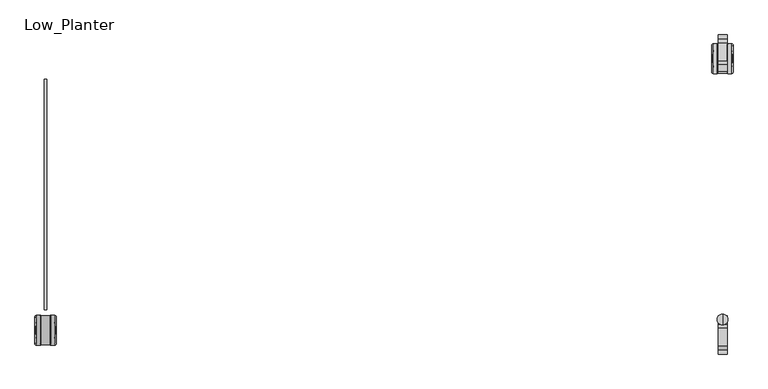
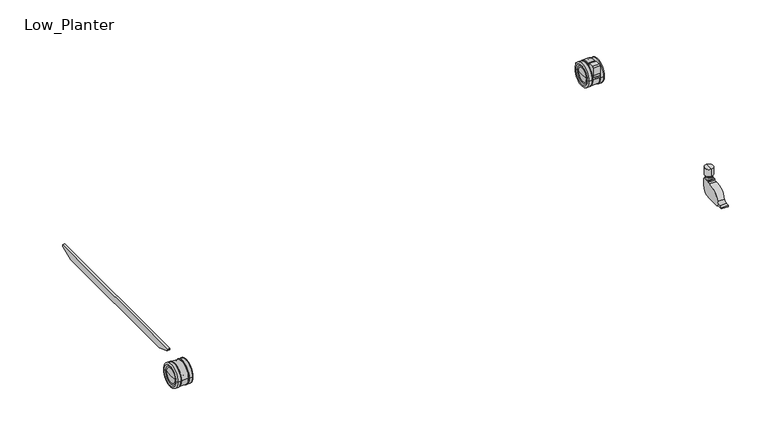
"""IFC4 building model written with IfcOpenShell, lengths in millimetres: furniture geometry, Low_Planter."""

from ifc_helpers import new_model, si_unit, point, frame, frame_2d, origin, place, context, project, spatial, polyline, circle_curve, ellipse_curve, trimmed, segment, composite_curve, outline, extrude, source, transform, mapped, element, save
from ifc_brep_helpers import plane_surface, cylinder_surface, revolved_surface, advanced_brep


def low_planter_3816b88e(model_context):
    return source(origin(), model_context, "Body", "SolidModel", [
        advanced_brep(
        [(-756.254365, -294.9881573, 33.3375), (-755.184493, -275.3179942, 33.3375), (-755.184493, -314.6583204, 33.3375), (-755.8633212, -271.1591617, 33.3375), (-755.8633212, -318.8171529, 33.3375), (-757.7696196, -267.1028081, 33.3375), (-757.7696196, -322.8735065, 33.3375), (-754.7850467, -262.6663128, 33.3375), (-754.7850467, -327.3100018, 33.3375), (-746.259685, -262.6663128, 33.3375), (-746.259685, -327.3100018, 33.3375), (-744.9615248, -263.9644731, 33.3375), (-744.9615248, -326.0118415, 33.3375), (-744.9615248, -284.8362603, 33.3375), (-744.9615248, -305.1400543, 33.3375), (-744.0, -284.8362603, 33.3375), (-744.0, -305.1400543, 33.3375), (-744.0, -263.8362603, 33.3375), (-744.0, -326.1400543, 33.3375), (-726.0, -263.8362603, 33.3375), (-726.0, -326.1400543, 33.3375), (-726.0, -284.8362603, 33.3375), (-726.0, -305.1400543, 33.3375), (-724.9867609, -284.8362603, 33.3375), (-724.9867609, -305.1400543, 33.3375), (-724.9867609, -263.9644731, 33.3375), (-724.9867609, -326.0118415, 33.3375), (-723.6886006, -262.6663128, 33.3375), (-723.6886006, -327.3100018, 33.3375), (-715.163239, -262.6663128, 33.3375), (-715.163239, -327.3100018, 33.3375), (-712.178666, -267.1028081, 33.3375), (-712.178666, -322.8735065, 33.3375), (-714.0849645, -271.1591617, 33.3375), (-714.0849645, -318.8171529, 33.3375), (-714.7637927, -275.3179942, 33.3375), (-714.7637927, -314.6583204, 33.3375), (-713.6939206, -294.9881573, 33.3375)],
        [
            (0, 1, circle_curve(frame((-670.0444421, -289.81299, 33.3375), z_axis=(0.0, 0.0, -1.0), x_axis=(1.0, 0.0, 0.0)), 86.3651154)),
            (1, 2, circle_curve(frame((-755.184493, -294.9881573, 33.3375), z_axis=(-1.0, 0.0, 0.0), x_axis=(0.0, 1.0, 0.0)), 19.6701631)),
            (2, 0, circle_curve(frame((-670.0444421, -300.1633246, 33.3375), z_axis=(0.0, 0.0, -1.0), x_axis=(1.0, 0.0, 0.0)), 86.3651154)),
            (2, 1, circle_curve(frame((-755.184493, -294.9881573, 33.3375), z_axis=(-1.0, 0.0, 0.0), x_axis=(0.0, 1.0, 0.0)), 19.6701631)),
            (1, 3, circle_curve(frame((-761.5862333, -274.2281053, 33.3375), z_axis=(0.0, 0.0, 1.0), x_axis=(1.0, 0.0, 0.0)), 6.4938538)),
            (3, 4, circle_curve(frame((-755.8633212, -294.9881573, 33.3375), z_axis=(-1.0, 0.0, 0.0), x_axis=(0.0, 1.0, 0.0)), 23.8289956)),
            (4, 2, circle_curve(frame((-761.5862333, -315.7482093, 33.3375), z_axis=(0.0, 0.0, 1.0), x_axis=(1.0, 0.0, 0.0)), 6.4938538)),
            (4, 3, circle_curve(frame((-755.8633212, -294.9881573, 33.3375), z_axis=(-1.0, 0.0, 0.0), x_axis=(0.0, 1.0, 0.0)), 23.8289956)),
            (3, 5, circle_curve(frame((-718.5172692, -251.1321331, 33.3375), z_axis=(0.0, 0.0, -1.0), x_axis=(1.0, 0.0, 0.0)), 42.3769923)),
            (5, 6, circle_curve(frame((-757.7696196, -294.9881573, 33.3375), z_axis=(-1.0, 0.0, 0.0), x_axis=(0.0, 1.0, 0.0)), 27.8853492)),
            (6, 4, circle_curve(frame((-718.5172692, -338.8441815, 33.3375), z_axis=(0.0, 0.0, -1.0), x_axis=(1.0, 0.0, 0.0)), 42.3769923)),
            (6, 5, circle_curve(frame((-757.7696196, -294.9881573, 33.3375), z_axis=(-1.0, 0.0, 0.0), x_axis=(0.0, 1.0, 0.0)), 27.8853492)),
            (5, 7, circle_curve(frame((-754.7850467, -265.8884695, 33.3375), z_axis=(0.0, 0.0, -1.0), x_axis=(1.0, 0.0, 0.0)), 3.2221567)),
            (7, 8, circle_curve(frame((-754.7850467, -294.9881573, 33.3375), z_axis=(-1.0, 0.0, 0.0), x_axis=(0.0, 1.0, 0.0)), 32.3218445)),
            (8, 6, circle_curve(frame((-754.7850467, -324.0878451, 33.3375), z_axis=(0.0, 0.0, -1.0), x_axis=(1.0, 0.0, 0.0)), 3.2221567)),
            (8, 7, circle_curve(frame((-754.7850467, -294.9881573, 33.3375), z_axis=(-1.0, 0.0, 0.0), x_axis=(0.0, 1.0, 0.0)), 32.3218445)),
            (7, 9),
            (9, 10, circle_curve(frame((-746.259685, -294.9881573, 33.3375), z_axis=(-1.0, 0.0, 0.0), x_axis=(0.0, 1.0, 0.0)), 32.3218445)),
            (10, 8),
            (10, 9, circle_curve(frame((-746.259685, -294.9881573, 33.3375), z_axis=(-1.0, 0.0, 0.0), x_axis=(0.0, 1.0, 0.0)), 32.3218445)),
            (9, 11, circle_curve(frame((-746.259685, -263.9644731, 33.3375), z_axis=(0.0, 0.0, -1.0), x_axis=(1.0, 0.0, 0.0)), 1.2981602)),
            (11, 12, circle_curve(frame((-744.9615248, -294.9881573, 33.3375), z_axis=(-1.0, 0.0, 0.0), x_axis=(0.0, 1.0, 0.0)), 31.0236842)),
            (12, 10, circle_curve(frame((-746.259685, -326.0118415, 33.3375), z_axis=(0.0, 0.0, -1.0), x_axis=(1.0, 0.0, 0.0)), 1.2981602)),
            (12, 11, circle_curve(frame((-744.9615248, -294.9881573, 33.3375), z_axis=(-1.0, 0.0, 0.0), x_axis=(0.0, 1.0, 0.0)), 31.0236842)),
            (11, 13),
            (13, 14, circle_curve(frame((-744.9615248, -294.9881573, 33.3375), z_axis=(-1.0, 0.0, 0.0), x_axis=(0.0, 1.0, 0.0)), 10.151897)),
            (14, 12),
            (14, 13, circle_curve(frame((-744.9615248, -294.9881573, 33.3375), z_axis=(-1.0, 0.0, 0.0), x_axis=(0.0, 1.0, 0.0)), 10.151897)),
            (13, 15),
            (15, 16, circle_curve(frame((-744.0, -294.9881573, 33.3375), z_axis=(-1.0, 0.0, 0.0), x_axis=(0.0, 1.0, 0.0)), 10.151897)),
            (16, 14),
            (16, 15, circle_curve(frame((-744.0, -294.9881573, 33.3375), z_axis=(-1.0, 0.0, 0.0), x_axis=(0.0, 1.0, 0.0)), 10.151897)),
            (15, 17),
            (17, 18, circle_curve(frame((-744.0, -294.9881573, 33.3375), z_axis=(-1.0, 0.0, 0.0), x_axis=(0.0, 1.0, 0.0)), 31.151897)),
            (18, 16),
            (18, 17, circle_curve(frame((-744.0, -294.9881573, 33.3375), z_axis=(-1.0, 0.0, 0.0), x_axis=(0.0, 1.0, 0.0)), 31.151897)),
            (17, 19),
            (19, 20, circle_curve(frame((-726.0, -294.9881573, 33.3375), z_axis=(-1.0, 0.0, 0.0), x_axis=(0.0, 1.0, 0.0)), 31.151897)),
            (20, 18),
            (20, 19, circle_curve(frame((-726.0, -294.9881573, 33.3375), z_axis=(-1.0, 0.0, 0.0), x_axis=(0.0, 1.0, 0.0)), 31.151897)),
            (19, 21),
            (21, 22, circle_curve(frame((-726.0, -294.9881573, 33.3375), z_axis=(-1.0, 0.0, 0.0), x_axis=(0.0, 1.0, 0.0)), 10.151897)),
            (22, 20),
            (22, 21, circle_curve(frame((-726.0, -294.9881573, 33.3375), z_axis=(-1.0, 0.0, 0.0), x_axis=(0.0, 1.0, 0.0)), 10.151897)),
            (21, 23),
            (23, 24, circle_curve(frame((-724.9867609, -294.9881573, 33.3375), z_axis=(-1.0, 0.0, 0.0), x_axis=(0.0, 1.0, 0.0)), 10.151897)),
            (24, 22),
            (24, 23, circle_curve(frame((-724.9867609, -294.9881573, 33.3375), z_axis=(-1.0, 0.0, 0.0), x_axis=(0.0, 1.0, 0.0)), 10.151897)),
            (23, 25),
            (25, 26, circle_curve(frame((-724.9867609, -294.9881573, 33.3375), z_axis=(-1.0, 0.0, 0.0), x_axis=(0.0, 1.0, 0.0)), 31.0236842)),
            (26, 24),
            (26, 25, circle_curve(frame((-724.9867609, -294.9881573, 33.3375), z_axis=(-1.0, 0.0, 0.0), x_axis=(0.0, 1.0, 0.0)), 31.0236842)),
            (25, 27, circle_curve(frame((-723.6886006, -263.9644731, 33.3375), z_axis=(0.0, 0.0, -1.0), x_axis=(-1.0, 0.0, 0.0)), 1.2981602)),
            (27, 28, circle_curve(frame((-723.6886006, -294.9881573, 33.3375), z_axis=(-1.0, 0.0, 0.0), x_axis=(0.0, 1.0, 0.0)), 32.3218445)),
            (28, 26, circle_curve(frame((-723.6886006, -326.0118415, 33.3375), z_axis=(0.0, 0.0, -1.0), x_axis=(-1.0, 0.0, 0.0)), 1.2981602)),
            (28, 27, circle_curve(frame((-723.6886006, -294.9881573, 33.3375), z_axis=(-1.0, 0.0, 0.0), x_axis=(0.0, 1.0, 0.0)), 32.3218445)),
            (27, 29),
            (29, 30, circle_curve(frame((-715.163239, -294.9881573, 33.3375), z_axis=(-1.0, 0.0, 0.0), x_axis=(0.0, 1.0, 0.0)), 32.3218445)),
            (30, 28),
            (30, 29, circle_curve(frame((-715.163239, -294.9881573, 33.3375), z_axis=(-1.0, 0.0, 0.0), x_axis=(0.0, 1.0, 0.0)), 32.3218445)),
            (29, 31, circle_curve(frame((-715.163239, -265.8884695, 33.3375), z_axis=(0.0, 0.0, -1.0), x_axis=(-1.0, 0.0, 0.0)), 3.2221567)),
            (31, 32, circle_curve(frame((-712.178666, -294.9881573, 33.3375), z_axis=(-1.0, 0.0, 0.0), x_axis=(0.0, 1.0, 0.0)), 27.8853492)),
            (32, 30, circle_curve(frame((-715.163239, -324.0878451, 33.3375), z_axis=(0.0, 0.0, -1.0), x_axis=(-1.0, 0.0, 0.0)), 3.2221567)),
            (32, 31, circle_curve(frame((-712.178666, -294.9881573, 33.3375), z_axis=(-1.0, 0.0, 0.0), x_axis=(0.0, 1.0, 0.0)), 27.8853492)),
            (31, 33, circle_curve(frame((-751.4310165, -251.1321331, 33.3375), z_axis=(0.0, 0.0, -1.0), x_axis=(-1.0, 0.0, 0.0)), 42.3769923)),
            (33, 34, circle_curve(frame((-714.0849645, -294.9881573, 33.3375), z_axis=(-1.0, 0.0, 0.0), x_axis=(0.0, 1.0, 0.0)), 23.8289956)),
            (34, 32, circle_curve(frame((-751.4310165, -338.8441815, 33.3375), z_axis=(0.0, 0.0, -1.0), x_axis=(-1.0, 0.0, 0.0)), 42.3769923)),
            (34, 33, circle_curve(frame((-714.0849645, -294.9881573, 33.3375), z_axis=(-1.0, 0.0, 0.0), x_axis=(0.0, 1.0, 0.0)), 23.8289956)),
            (33, 35, circle_curve(frame((-708.3620524, -274.2281053, 33.3375), z_axis=(0.0, 0.0, 1.0), x_axis=(-1.0, 0.0, 0.0)), 6.4938538)),
            (35, 36, circle_curve(frame((-714.7637927, -294.9881573, 33.3375), z_axis=(-1.0, 0.0, 0.0), x_axis=(0.0, 1.0, 0.0)), 19.6701631)),
            (36, 34, circle_curve(frame((-708.3620524, -315.7482093, 33.3375), z_axis=(0.0, 0.0, 1.0), x_axis=(-1.0, 0.0, 0.0)), 6.4938538)),
            (36, 35, circle_curve(frame((-714.7637927, -294.9881573, 33.3375), z_axis=(-1.0, 0.0, 0.0), x_axis=(0.0, 1.0, 0.0)), 19.6701631)),
            (35, 37, circle_curve(frame((-799.9038436, -289.81299, 33.3375), z_axis=(0.0, 0.0, -1.0), x_axis=(-1.0, 0.0, 0.0)), 86.3651154)),
            (37, 36, circle_curve(frame((-799.9038436, -300.1633246, 33.3375), z_axis=(0.0, 0.0, -1.0), x_axis=(-1.0, 0.0, 0.0)), 86.3651154)),
        ],
        [
            revolved_surface(trimmed(ellipse_curve(frame((-670.0444421, -289.81299, 33.3375), z_axis=(0.0, 0.0, 1.0), x_axis=(1.0, 0.0, 0.0)), 86.3651154, 86.3651154), [point((-755.184493, -275.3179942, 33.3375))], [point((-756.254365, -294.9881573, 33.3375))], True, "CARTESIAN"), (-735.8288688, -294.9881573, 33.3375), (-1.0, 0.0, 0.0)),
            revolved_surface(trimmed(ellipse_curve(frame((-761.5862333, -274.2281053, 33.3375), z_axis=(0.0, 0.0, -1.0), x_axis=(1.0, 0.0, 0.0)), 6.4938538, 6.4938538), [point((-755.8633212, -271.1591617, 33.3375))], [point((-755.184493, -275.3179942, 33.3375))], True, "CARTESIAN"), (-735.8288688, -294.9881573, 33.3375), (-1.0, 0.0, 0.0)),
            revolved_surface(trimmed(ellipse_curve(frame((-718.5172692, -251.1321331, 33.3375), z_axis=(0.0, 0.0, 1.0), x_axis=(1.0, 0.0, 0.0)), 42.3769923, 42.3769923), [point((-757.7696196, -267.1028081, 33.3375))], [point((-755.8633212, -271.1591617, 33.3375))], True, "CARTESIAN"), (-735.8288688, -294.9881573, 33.3375), (-1.0, 0.0, 0.0)),
            revolved_surface(trimmed(ellipse_curve(frame((-754.7850467, -265.8884695, 33.3375), z_axis=(0.0, 0.0, 1.0), x_axis=(1.0, 0.0, 0.0)), 3.2221567, 3.2221567), [point((-754.7850467, -262.6663128, 33.3375))], [point((-757.7696196, -267.1028081, 33.3375))], True, "CARTESIAN"), (-735.8288688, -294.9881573, 33.3375), (-1.0, 0.0, 0.0)),
            cylinder_surface(frame((-735.8288688, -294.9881573, 33.3375), z_axis=(-1.0, 0.0, 0.0), x_axis=(0.0, 1.0, 0.0)), 32.3218445),
            revolved_surface(trimmed(ellipse_curve(frame((-746.259685, -263.9644731, 33.3375), z_axis=(0.0, 0.0, 1.0), x_axis=(1.0, 0.0, 0.0)), 1.2981602, 1.2981602), [point((-744.9615248, -263.9644731, 33.3375))], [point((-746.259685, -262.6663128, 33.3375))], True, "CARTESIAN"), (-735.8288688, -294.9881573, 33.3375), (-1.0, 0.0, 0.0)),
            plane_surface(frame((-744.9615248, -294.9881573, 33.3375), z_axis=(1.0, 0.0, 0.0), x_axis=(0.0, 1.0, 0.0))),
            cylinder_surface(frame((-735.8288688, -294.9881573, 33.3375), z_axis=(-1.0, 0.0, 0.0), x_axis=(0.0, 1.0, 0.0)), 10.151897),
            plane_surface(frame((-744.0, -294.9881573, 33.3375), z_axis=(-1.0, 0.0, 0.0), x_axis=(0.0, 1.0, 0.0))),
            cylinder_surface(frame((-735.8288688, -294.9881573, 33.3375), z_axis=(-1.0, 0.0, 0.0), x_axis=(0.0, 1.0, 0.0)), 31.151897),
            plane_surface(frame((-726.0, -294.9881573, 33.3375), z_axis=(1.0, 0.0, 0.0), x_axis=(0.0, 1.0, 0.0))),
            plane_surface(frame((-724.9867609, -294.9881573, 33.3375), z_axis=(-1.0, 0.0, 0.0), x_axis=(0.0, 1.0, 0.0))),
            revolved_surface(trimmed(ellipse_curve(frame((-723.6886006, -263.9644731, 33.3375), z_axis=(0.0, 0.0, 1.0), x_axis=(-1.0, 0.0, 0.0)), 1.2981602, 1.2981602), [point((-723.6886006, -262.6663128, 33.3375))], [point((-724.9867609, -263.9644731, 33.3375))], True, "CARTESIAN"), (-735.8288688, -294.9881573, 33.3375), (-1.0, 0.0, 0.0)),
            revolved_surface(trimmed(ellipse_curve(frame((-715.163239, -265.8884695, 33.3375), z_axis=(0.0, 0.0, 1.0), x_axis=(-1.0, 0.0, 0.0)), 3.2221567, 3.2221567), [point((-712.178666, -267.1028081, 33.3375))], [point((-715.163239, -262.6663128, 33.3375))], True, "CARTESIAN"), (-735.8288688, -294.9881573, 33.3375), (-1.0, 0.0, 0.0)),
            revolved_surface(trimmed(ellipse_curve(frame((-751.4310165, -251.1321331, 33.3375), z_axis=(0.0, 0.0, 1.0), x_axis=(-1.0, 0.0, 0.0)), 42.3769923, 42.3769923), [point((-714.0849645, -271.1591617, 33.3375))], [point((-712.178666, -267.1028081, 33.3375))], True, "CARTESIAN"), (-735.8288688, -294.9881573, 33.3375), (-1.0, 0.0, 0.0)),
            revolved_surface(trimmed(ellipse_curve(frame((-708.3620524, -274.2281053, 33.3375), z_axis=(0.0, 0.0, -1.0), x_axis=(-1.0, 0.0, 0.0)), 6.4938538, 6.4938538), [point((-714.7637927, -275.3179942, 33.3375))], [point((-714.0849645, -271.1591617, 33.3375))], True, "CARTESIAN"), (-735.8288688, -294.9881573, 33.3375), (-1.0, 0.0, 0.0)),
            revolved_surface(trimmed(ellipse_curve(frame((-799.9038436, -289.81299, 33.3375), z_axis=(0.0, 0.0, 1.0), x_axis=(-1.0, 0.0, 0.0)), 86.3651154, 86.3651154), [point((-713.6939206, -294.9881573, 33.3375))], [point((-714.7637927, -275.3179942, 33.3375))], True, "CARTESIAN"), (-735.8288688, -294.9881573, 33.3375), (-1.0, 0.0, 0.0)),
        ],
        [
            (0, [[1, 2, 3]]),
            (0, [[-3, 4, -1]]),
            (1, [[-2, 5, 6, 7]]),
            (1, [[-4, -7, 8, -5]]),
            (2, [[-6, 9, 10, 11]]),
            (2, [[-8, -11, 12, -9]]),
            (3, [[-10, 13, 14, 15]]),
            (3, [[-12, -15, 16, -13]]),
            (4, [[-14, 17, 18, 19]]),
            (4, [[-16, -19, 20, -17]]),
            (5, [[-18, 21, 22, 23]]),
            (5, [[-20, -23, 24, -21]]),
            (6, [[-22, 25, 26, 27]]),
            (6, [[-24, -27, 28, -25]]),
            (7, [[-26, 29, 30, 31]]),
            (7, [[-28, -31, 32, -29]]),
            (8, [[-30, 33, 34, 35]]),
            (8, [[-32, -35, 36, -33]]),
            (9, [[-34, 37, 38, 39]]),
            (9, [[-36, -39, 40, -37]]),
            (10, [[-38, 41, 42, 43]]),
            (10, [[-40, -43, 44, -41]]),
            (7, [[-42, 45, 46, 47]]),
            (7, [[-44, -47, 48, -45]]),
            (11, [[-46, 49, 50, 51]]),
            (11, [[-48, -51, 52, -49]]),
            (12, [[-50, 53, 54, 55]]),
            (12, [[-52, -55, 56, -53]]),
            (4, [[-54, 57, 58, 59]]),
            (4, [[-56, -59, 60, -57]]),
            (13, [[-58, 61, 62, 63]]),
            (13, [[-60, -63, 64, -61]]),
            (14, [[-62, 65, 66, 67]]),
            (14, [[-64, -67, 68, -65]]),
            (15, [[-66, 69, 70, 71]]),
            (15, [[-68, -71, 72, -69]]),
            (16, [[-70, 73, 74]]),
            (16, [[-72, -74, -73]]),
        ],
    ),
        extrude(outline(composite_curve([segment(polyline([(-250.0, 76.4987302), (250.0, 76.4987302), (250.0, 74.9637326)]), True, "CONTINUOUS"), segment(trimmed(circle_curve(frame_2d((245.0, 74.9637326)), 5.0), [point((250.0, 74.9637326))], [point((246.7556172, 70.2820867))], False, "CARTESIAN"), True, "CONTINUOUS"), segment(polyline([(246.7556172, 70.2820867), (210.0, 56.4987302), (-210.1895526, 56.4987302), (-246.5320214, 70.127156)]), True, "CONTINUOUS"), segment(trimmed(circle_curve(frame_2d((-244.6554109, 75.1314508)), 5.3445891), [point((-246.5320214, 70.127156))], [point((-250.0, 75.1314508))], False, "CARTESIAN"), True, "CONTINUOUS"), segment(polyline([(-250.0, 75.1314508), (-250.0, 76.4987302)]), True, "CONTINUOUS")], self_intersect=False)), frame((-737.8752511, 0.0, 0.0), z_axis=(1.0, 0.0, 0.0), x_axis=(0.0, 1.0, 0.0)), (0.0, 0.0, 1.0), 6.1074091),
        extrude(outline(composite_curve([segment(polyline([(322.5393853, 24.6577664), (284.4393853, 24.6577664)]), True, "CONTINUOUS"), segment(trimmed(circle_curve(frame_2d((284.4393853, 45.6577664)), 21.0), [point((284.4393853, 24.6577664))], [point((263.4393853, 45.6577664))], False, "CARTESIAN"), True, "CONTINUOUS"), segment(polyline([(263.4393853, 45.6577664), (263.4393853, 67.2868958)]), True, "CONTINUOUS"), segment(trimmed(circle_curve(frame_2d((266.6512197, 67.2868958)), 3.2118344), [point((263.4393853, 67.2868958))], [point((266.6512197, 70.4987302))], False, "CARTESIAN"), True, "CONTINUOUS"), segment(polyline([(266.6512197, 70.4987302), (281.3809289, 70.4987302), (281.3809289, 66.7440458), (289.4225274, 66.7440458)]), True, "CONTINUOUS"), segment(trimmed(circle_curve(frame_2d((293.0492292, 30.6796344)), 36.2463066), [point((289.4225274, 66.7440458))], [point((328.1790956, 39.6064046))], False, "CARTESIAN"), True, "CONTINUOUS"), segment(trimmed(circle_curve(frame_2d((336.750164, 41.7843792)), 8.8434601), [point((328.1790956, 39.6064046))], [point((337.3229966, 32.9594911))], True, "CARTESIAN"), True, "CONTINUOUS"), segment(polyline([(337.3229966, 32.9594911), (346.4829961, 32.9594911), (346.4829961, 29.0481232), (328.3545572, 29.0481232)]), True, "CONTINUOUS"), segment(trimmed(circle_curve(frame_2d((322.5393853, 30.7041381)), 6.0463716), [point((328.3545572, 29.0481232))], [point((322.5393853, 24.6577664))], False, "CARTESIAN"), True, "CONTINUOUS")], self_intersect=False)), frame((726.0, 0.0, 0.0), z_axis=(1.0, 0.0, 0.0), x_axis=(0.0, 1.0, 0.0)), (0.0, 0.0, 1.0), 18.9615248),
        advanced_brep(
        [(756.254365, 294.9881573, 33.3375), (755.184493, 275.3179942, 33.3375), (755.184493, 314.6583204, 33.3375), (755.8633212, 271.1591617, 33.3375), (755.8633212, 318.8171529, 33.3375), (757.7696196, 267.1028081, 33.3375), (757.7696196, 322.8735065, 33.3375), (754.7850467, 262.6663128, 33.3375), (754.7850467, 327.3100018, 33.3375), (746.259685, 262.6663128, 33.3375), (746.259685, 327.3100018, 33.3375), (744.9615248, 263.9644731, 33.3375), (744.9615248, 326.0118415, 33.3375), (744.9615248, 284.8362603, 33.3375), (744.9615248, 305.1400543, 33.3375), (744.0, 284.8362603, 33.3375), (744.0, 305.1400543, 33.3375), (744.0, 263.8362603, 33.3375), (744.0, 326.1400543, 33.3375), (726.0, 263.8362603, 33.3375), (726.0, 326.1400543, 33.3375), (726.0, 284.8362603, 33.3375), (726.0, 305.1400543, 33.3375), (724.9867609, 284.8362603, 33.3375), (724.9867609, 305.1400543, 33.3375), (724.9867609, 263.9644731, 33.3375), (724.9867609, 326.0118415, 33.3375), (723.6886006, 262.6663128, 33.3375), (723.6886006, 327.3100018, 33.3375), (715.163239, 262.6663128, 33.3375), (715.163239, 327.3100018, 33.3375), (712.178666, 267.1028081, 33.3375), (712.178666, 322.8735065, 33.3375), (714.0849645, 271.1591617, 33.3375), (714.0849645, 318.8171529, 33.3375), (714.7637927, 275.3179942, 33.3375), (714.7637927, 314.6583204, 33.3375), (713.6939206, 294.9881573, 33.3375)],
        [
            (0, 1, circle_curve(frame((670.0444421, 289.81299, 33.3375), z_axis=(0.0, 0.0, -1.0), x_axis=(-1.0, 0.0, 0.0)), 86.3651154)),
            (1, 2, circle_curve(frame((755.184493, 294.9881573, 33.3375), z_axis=(1.0, 0.0, 0.0), x_axis=(0.0, -1.0, 0.0)), 19.6701631)),
            (2, 0, circle_curve(frame((670.0444421, 300.1633246, 33.3375), z_axis=(0.0, 0.0, -1.0), x_axis=(-1.0, 0.0, 0.0)), 86.3651154)),
            (2, 1, circle_curve(frame((755.184493, 294.9881573, 33.3375), z_axis=(1.0, 0.0, 0.0), x_axis=(0.0, -1.0, 0.0)), 19.6701631)),
            (1, 3, circle_curve(frame((761.5862333, 274.2281053, 33.3375), z_axis=(0.0, 0.0, 1.0), x_axis=(-1.0, 0.0, 0.0)), 6.4938538)),
            (3, 4, circle_curve(frame((755.8633212, 294.9881573, 33.3375), z_axis=(1.0, 0.0, 0.0), x_axis=(0.0, -1.0, 0.0)), 23.8289956)),
            (4, 2, circle_curve(frame((761.5862333, 315.7482093, 33.3375), z_axis=(0.0, 0.0, 1.0), x_axis=(-1.0, 0.0, 0.0)), 6.4938538)),
            (4, 3, circle_curve(frame((755.8633212, 294.9881573, 33.3375), z_axis=(1.0, 0.0, 0.0), x_axis=(0.0, -1.0, 0.0)), 23.8289956)),
            (3, 5, circle_curve(frame((718.5172692, 251.1321331, 33.3375), z_axis=(0.0, 0.0, -1.0), x_axis=(-1.0, 0.0, 0.0)), 42.3769923)),
            (5, 6, circle_curve(frame((757.7696196, 294.9881573, 33.3375), z_axis=(1.0, 0.0, 0.0), x_axis=(0.0, -1.0, 0.0)), 27.8853492)),
            (6, 4, circle_curve(frame((718.5172692, 338.8441815, 33.3375), z_axis=(0.0, 0.0, -1.0), x_axis=(-1.0, 0.0, 0.0)), 42.3769923)),
            (6, 5, circle_curve(frame((757.7696196, 294.9881573, 33.3375), z_axis=(1.0, 0.0, 0.0), x_axis=(0.0, -1.0, 0.0)), 27.8853492)),
            (5, 7, circle_curve(frame((754.7850467, 265.8884695, 33.3375), z_axis=(0.0, 0.0, -1.0), x_axis=(-1.0, 0.0, 0.0)), 3.2221567)),
            (7, 8, circle_curve(frame((754.7850467, 294.9881573, 33.3375), z_axis=(1.0, 0.0, 0.0), x_axis=(0.0, -1.0, 0.0)), 32.3218445)),
            (8, 6, circle_curve(frame((754.7850467, 324.0878451, 33.3375), z_axis=(0.0, 0.0, -1.0), x_axis=(-1.0, 0.0, 0.0)), 3.2221567)),
            (8, 7, circle_curve(frame((754.7850467, 294.9881573, 33.3375), z_axis=(1.0, 0.0, 0.0), x_axis=(0.0, -1.0, 0.0)), 32.3218445)),
            (7, 9),
            (9, 10, circle_curve(frame((746.259685, 294.9881573, 33.3375), z_axis=(1.0, 0.0, 0.0), x_axis=(0.0, -1.0, 0.0)), 32.3218445)),
            (10, 8),
            (10, 9, circle_curve(frame((746.259685, 294.9881573, 33.3375), z_axis=(1.0, 0.0, 0.0), x_axis=(0.0, -1.0, 0.0)), 32.3218445)),
            (9, 11, circle_curve(frame((746.259685, 263.9644731, 33.3375), z_axis=(0.0, 0.0, -1.0), x_axis=(-1.0, 0.0, 0.0)), 1.2981602)),
            (11, 12, circle_curve(frame((744.9615248, 294.9881573, 33.3375), z_axis=(1.0, 0.0, 0.0), x_axis=(0.0, -1.0, 0.0)), 31.0236842)),
            (12, 10, circle_curve(frame((746.259685, 326.0118415, 33.3375), z_axis=(0.0, 0.0, -1.0), x_axis=(-1.0, 0.0, 0.0)), 1.2981602)),
            (12, 11, circle_curve(frame((744.9615248, 294.9881573, 33.3375), z_axis=(1.0, 0.0, 0.0), x_axis=(0.0, -1.0, 0.0)), 31.0236842)),
            (11, 13),
            (13, 14, circle_curve(frame((744.9615248, 294.9881573, 33.3375), z_axis=(1.0, 0.0, 0.0), x_axis=(0.0, -1.0, 0.0)), 10.151897)),
            (14, 12),
            (14, 13, circle_curve(frame((744.9615248, 294.9881573, 33.3375), z_axis=(1.0, 0.0, 0.0), x_axis=(0.0, -1.0, 0.0)), 10.151897)),
            (13, 15),
            (15, 16, circle_curve(frame((744.0, 294.9881573, 33.3375), z_axis=(1.0, 0.0, 0.0), x_axis=(0.0, -1.0, 0.0)), 10.151897)),
            (16, 14),
            (16, 15, circle_curve(frame((744.0, 294.9881573, 33.3375), z_axis=(1.0, 0.0, 0.0), x_axis=(0.0, -1.0, 0.0)), 10.151897)),
            (15, 17),
            (17, 18, circle_curve(frame((744.0, 294.9881573, 33.3375), z_axis=(1.0, 0.0, 0.0), x_axis=(0.0, -1.0, 0.0)), 31.151897)),
            (18, 16),
            (18, 17, circle_curve(frame((744.0, 294.9881573, 33.3375), z_axis=(1.0, 0.0, 0.0), x_axis=(0.0, -1.0, 0.0)), 31.151897)),
            (17, 19),
            (19, 20, circle_curve(frame((726.0, 294.9881573, 33.3375), z_axis=(1.0, 0.0, 0.0), x_axis=(0.0, -1.0, 0.0)), 31.151897)),
            (20, 18),
            (20, 19, circle_curve(frame((726.0, 294.9881573, 33.3375), z_axis=(1.0, 0.0, 0.0), x_axis=(0.0, -1.0, 0.0)), 31.151897)),
            (19, 21),
            (21, 22, circle_curve(frame((726.0, 294.9881573, 33.3375), z_axis=(1.0, 0.0, 0.0), x_axis=(0.0, -1.0, 0.0)), 10.151897)),
            (22, 20),
            (22, 21, circle_curve(frame((726.0, 294.9881573, 33.3375), z_axis=(1.0, 0.0, 0.0), x_axis=(0.0, -1.0, 0.0)), 10.151897)),
            (21, 23),
            (23, 24, circle_curve(frame((724.9867609, 294.9881573, 33.3375), z_axis=(1.0, 0.0, 0.0), x_axis=(0.0, -1.0, 0.0)), 10.151897)),
            (24, 22),
            (24, 23, circle_curve(frame((724.9867609, 294.9881573, 33.3375), z_axis=(1.0, 0.0, 0.0), x_axis=(0.0, -1.0, 0.0)), 10.151897)),
            (23, 25),
            (25, 26, circle_curve(frame((724.9867609, 294.9881573, 33.3375), z_axis=(1.0, 0.0, 0.0), x_axis=(0.0, -1.0, 0.0)), 31.0236842)),
            (26, 24),
            (26, 25, circle_curve(frame((724.9867609, 294.9881573, 33.3375), z_axis=(1.0, 0.0, 0.0), x_axis=(0.0, -1.0, 0.0)), 31.0236842)),
            (25, 27, circle_curve(frame((723.6886006, 263.9644731, 33.3375), z_axis=(0.0, 0.0, -1.0), x_axis=(1.0, 0.0, 0.0)), 1.2981602)),
            (27, 28, circle_curve(frame((723.6886006, 294.9881573, 33.3375), z_axis=(1.0, 0.0, 0.0), x_axis=(0.0, -1.0, 0.0)), 32.3218445)),
            (28, 26, circle_curve(frame((723.6886006, 326.0118415, 33.3375), z_axis=(0.0, 0.0, -1.0), x_axis=(1.0, 0.0, 0.0)), 1.2981602)),
            (28, 27, circle_curve(frame((723.6886006, 294.9881573, 33.3375), z_axis=(1.0, 0.0, 0.0), x_axis=(0.0, -1.0, 0.0)), 32.3218445)),
            (27, 29),
            (29, 30, circle_curve(frame((715.163239, 294.9881573, 33.3375), z_axis=(1.0, 0.0, 0.0), x_axis=(0.0, -1.0, 0.0)), 32.3218445)),
            (30, 28),
            (30, 29, circle_curve(frame((715.163239, 294.9881573, 33.3375), z_axis=(1.0, 0.0, 0.0), x_axis=(0.0, -1.0, 0.0)), 32.3218445)),
            (29, 31, circle_curve(frame((715.163239, 265.8884695, 33.3375), z_axis=(0.0, 0.0, -1.0), x_axis=(1.0, 0.0, 0.0)), 3.2221567)),
            (31, 32, circle_curve(frame((712.178666, 294.9881573, 33.3375), z_axis=(1.0, 0.0, 0.0), x_axis=(0.0, -1.0, 0.0)), 27.8853492)),
            (32, 30, circle_curve(frame((715.163239, 324.0878451, 33.3375), z_axis=(0.0, 0.0, -1.0), x_axis=(1.0, 0.0, 0.0)), 3.2221567)),
            (32, 31, circle_curve(frame((712.178666, 294.9881573, 33.3375), z_axis=(1.0, 0.0, 0.0), x_axis=(0.0, -1.0, 0.0)), 27.8853492)),
            (31, 33, circle_curve(frame((751.4310165, 251.1321331, 33.3375), z_axis=(0.0, 0.0, -1.0), x_axis=(1.0, 0.0, 0.0)), 42.3769923)),
            (33, 34, circle_curve(frame((714.0849645, 294.9881573, 33.3375), z_axis=(1.0, 0.0, 0.0), x_axis=(0.0, -1.0, 0.0)), 23.8289956)),
            (34, 32, circle_curve(frame((751.4310165, 338.8441815, 33.3375), z_axis=(0.0, 0.0, -1.0), x_axis=(1.0, 0.0, 0.0)), 42.3769923)),
            (34, 33, circle_curve(frame((714.0849645, 294.9881573, 33.3375), z_axis=(1.0, 0.0, 0.0), x_axis=(0.0, -1.0, 0.0)), 23.8289956)),
            (33, 35, circle_curve(frame((708.3620524, 274.2281053, 33.3375), z_axis=(0.0, 0.0, 1.0), x_axis=(1.0, 0.0, 0.0)), 6.4938538)),
            (35, 36, circle_curve(frame((714.7637927, 294.9881573, 33.3375), z_axis=(1.0, 0.0, 0.0), x_axis=(0.0, -1.0, 0.0)), 19.6701631)),
            (36, 34, circle_curve(frame((708.3620524, 315.7482093, 33.3375), z_axis=(0.0, 0.0, 1.0), x_axis=(1.0, 0.0, 0.0)), 6.4938538)),
            (36, 35, circle_curve(frame((714.7637927, 294.9881573, 33.3375), z_axis=(1.0, 0.0, 0.0), x_axis=(0.0, -1.0, 0.0)), 19.6701631)),
            (35, 37, circle_curve(frame((799.9038436, 289.81299, 33.3375), z_axis=(0.0, 0.0, -1.0), x_axis=(1.0, 0.0, 0.0)), 86.3651154)),
            (37, 36, circle_curve(frame((799.9038436, 300.1633246, 33.3375), z_axis=(0.0, 0.0, -1.0), x_axis=(1.0, 0.0, 0.0)), 86.3651154)),
        ],
        [
            revolved_surface(trimmed(ellipse_curve(frame((670.0444421, 289.81299, 33.3375), z_axis=(0.0, 0.0, 1.0), x_axis=(-1.0, 0.0, 0.0)), 86.3651154, 86.3651154), [point((755.184493, 275.3179942, 33.3375))], [point((756.254365, 294.9881573, 33.3375))], True, "CARTESIAN"), (735.8288688, 294.9881573, 33.3375), (1.0, 0.0, 0.0)),
            revolved_surface(trimmed(ellipse_curve(frame((761.5862333, 274.2281053, 33.3375), z_axis=(0.0, 0.0, -1.0), x_axis=(-1.0, 0.0, 0.0)), 6.4938538, 6.4938538), [point((755.8633212, 271.1591617, 33.3375))], [point((755.184493, 275.3179942, 33.3375))], True, "CARTESIAN"), (735.8288688, 294.9881573, 33.3375), (1.0, 0.0, 0.0)),
            revolved_surface(trimmed(ellipse_curve(frame((718.5172692, 251.1321331, 33.3375), z_axis=(0.0, 0.0, 1.0), x_axis=(-1.0, 0.0, 0.0)), 42.3769923, 42.3769923), [point((757.7696196, 267.1028081, 33.3375))], [point((755.8633212, 271.1591617, 33.3375))], True, "CARTESIAN"), (735.8288688, 294.9881573, 33.3375), (1.0, 0.0, 0.0)),
            revolved_surface(trimmed(ellipse_curve(frame((754.7850467, 265.8884695, 33.3375), z_axis=(0.0, 0.0, 1.0), x_axis=(-1.0, 0.0, 0.0)), 3.2221567, 3.2221567), [point((754.7850467, 262.6663128, 33.3375))], [point((757.7696196, 267.1028081, 33.3375))], True, "CARTESIAN"), (735.8288688, 294.9881573, 33.3375), (1.0, 0.0, 0.0)),
            cylinder_surface(frame((735.8288688, 294.9881573, 33.3375), z_axis=(1.0, 0.0, 0.0), x_axis=(0.0, -1.0, 0.0)), 32.3218445),
            revolved_surface(trimmed(ellipse_curve(frame((746.259685, 263.9644731, 33.3375), z_axis=(0.0, 0.0, 1.0), x_axis=(-1.0, 0.0, 0.0)), 1.2981602, 1.2981602), [point((744.9615248, 263.9644731, 33.3375))], [point((746.259685, 262.6663128, 33.3375))], True, "CARTESIAN"), (735.8288688, 294.9881573, 33.3375), (1.0, 0.0, 0.0)),
            plane_surface(frame((744.9615248, 294.9881573, 33.3375), z_axis=(-1.0, 0.0, 0.0), x_axis=(0.0, -1.0, 0.0))),
            cylinder_surface(frame((735.8288688, 294.9881573, 33.3375), z_axis=(1.0, 0.0, 0.0), x_axis=(0.0, -1.0, 0.0)), 10.151897),
            plane_surface(frame((744.0, 294.9881573, 33.3375), z_axis=(1.0, 0.0, 0.0), x_axis=(0.0, -1.0, 0.0))),
            cylinder_surface(frame((735.8288688, 294.9881573, 33.3375), z_axis=(1.0, 0.0, 0.0), x_axis=(0.0, -1.0, 0.0)), 31.151897),
            plane_surface(frame((726.0, 294.9881573, 33.3375), z_axis=(-1.0, 0.0, 0.0), x_axis=(0.0, -1.0, 0.0))),
            plane_surface(frame((724.9867609, 294.9881573, 33.3375), z_axis=(1.0, 0.0, 0.0), x_axis=(0.0, -1.0, 0.0))),
            revolved_surface(trimmed(ellipse_curve(frame((723.6886006, 263.9644731, 33.3375), z_axis=(0.0, 0.0, 1.0), x_axis=(1.0, 0.0, 0.0)), 1.2981602, 1.2981602), [point((723.6886006, 262.6663128, 33.3375))], [point((724.9867609, 263.9644731, 33.3375))], True, "CARTESIAN"), (735.8288688, 294.9881573, 33.3375), (1.0, 0.0, 0.0)),
            revolved_surface(trimmed(ellipse_curve(frame((715.163239, 265.8884695, 33.3375), z_axis=(0.0, 0.0, 1.0), x_axis=(1.0, 0.0, 0.0)), 3.2221567, 3.2221567), [point((712.178666, 267.1028081, 33.3375))], [point((715.163239, 262.6663128, 33.3375))], True, "CARTESIAN"), (735.8288688, 294.9881573, 33.3375), (1.0, 0.0, 0.0)),
            revolved_surface(trimmed(ellipse_curve(frame((751.4310165, 251.1321331, 33.3375), z_axis=(0.0, 0.0, 1.0), x_axis=(1.0, 0.0, 0.0)), 42.3769923, 42.3769923), [point((714.0849645, 271.1591617, 33.3375))], [point((712.178666, 267.1028081, 33.3375))], True, "CARTESIAN"), (735.8288688, 294.9881573, 33.3375), (1.0, 0.0, 0.0)),
            revolved_surface(trimmed(ellipse_curve(frame((708.3620524, 274.2281053, 33.3375), z_axis=(0.0, 0.0, -1.0), x_axis=(1.0, 0.0, 0.0)), 6.4938538, 6.4938538), [point((714.7637927, 275.3179942, 33.3375))], [point((714.0849645, 271.1591617, 33.3375))], True, "CARTESIAN"), (735.8288688, 294.9881573, 33.3375), (1.0, 0.0, 0.0)),
            revolved_surface(trimmed(ellipse_curve(frame((799.9038436, 289.81299, 33.3375), z_axis=(0.0, 0.0, 1.0), x_axis=(1.0, 0.0, 0.0)), 86.3651154, 86.3651154), [point((713.6939206, 294.9881573, 33.3375))], [point((714.7637927, 275.3179942, 33.3375))], True, "CARTESIAN"), (735.8288688, 294.9881573, 33.3375), (1.0, 0.0, 0.0)),
        ],
        [
            (0, [[1, 2, 3]]),
            (0, [[-3, 4, -1]]),
            (1, [[-2, 5, 6, 7]]),
            (1, [[-4, -7, 8, -5]]),
            (2, [[-6, 9, 10, 11]]),
            (2, [[-8, -11, 12, -9]]),
            (3, [[-10, 13, 14, 15]]),
            (3, [[-12, -15, 16, -13]]),
            (4, [[-14, 17, 18, 19]]),
            (4, [[-16, -19, 20, -17]]),
            (5, [[-18, 21, 22, 23]]),
            (5, [[-20, -23, 24, -21]]),
            (6, [[-22, 25, 26, 27]]),
            (6, [[-24, -27, 28, -25]]),
            (7, [[-26, 29, 30, 31]]),
            (7, [[-28, -31, 32, -29]]),
            (8, [[-30, 33, 34, 35]]),
            (8, [[-32, -35, 36, -33]]),
            (9, [[-34, 37, 38, 39]]),
            (9, [[-36, -39, 40, -37]]),
            (10, [[-38, 41, 42, 43]]),
            (10, [[-40, -43, 44, -41]]),
            (7, [[-42, 45, 46, 47]]),
            (7, [[-44, -47, 48, -45]]),
            (11, [[-46, 49, 50, 51]]),
            (11, [[-48, -51, 52, -49]]),
            (12, [[-50, 53, 54, 55]]),
            (12, [[-52, -55, 56, -53]]),
            (4, [[-54, 57, 58, 59]]),
            (4, [[-56, -59, 60, -57]]),
            (13, [[-58, 61, 62, 63]]),
            (13, [[-60, -63, 64, -61]]),
            (14, [[-62, 65, 66, 67]]),
            (14, [[-64, -67, 68, -65]]),
            (15, [[-66, 69, 70, 71]]),
            (15, [[-68, -71, 72, -69]]),
            (16, [[-70, 73, 74]]),
            (16, [[-72, -74, -73]]),
        ],
    ),
        advanced_brep(
        [(735.0125, -259.7930221, 102.4987302), (735.0125, -283.0, 102.4987302), (735.0125, -271.396511, 102.4987302), (735.0125, -259.7930221, 82.4987302), (735.0125, -283.0, 82.4987302), (735.0125, -265.2930221, 82.4987302), (735.0125, -277.5, 82.4987302), (735.0125, -265.2930221, 76.4987302), (735.0125, -277.5, 76.4987302), (735.0125, -262.1327681, 76.4987302), (735.0125, -280.660254, 76.4987302), (735.0125, -262.1327681, 70.4987302), (735.0125, -280.660254, 70.4987302), (735.0125, -271.396511, 70.4987302)],
        [
            (0, 1, circle_curve(frame((735.0125, -271.396511, 102.4987302), z_axis=(0.0, 0.0, 1.0), x_axis=(0.0, -1.0, 0.0)), 11.603489)),
            (1, 2),
            (2, 0),
            (1, 0, circle_curve(frame((735.0125, -271.396511, 102.4987302), z_axis=(0.0, 0.0, 1.0), x_axis=(0.0, -1.0, 0.0)), 11.603489)),
            (3, 4, circle_curve(frame((735.0125, -271.396511, 82.4987302), z_axis=(0.0, 0.0, 1.0), x_axis=(0.0, -1.0, 0.0)), 11.603489)),
            (4, 1),
            (0, 3),
            (4, 3, circle_curve(frame((735.0125, -271.396511, 82.4987302), z_axis=(0.0, 0.0, 1.0), x_axis=(0.0, -1.0, 0.0)), 11.603489)),
            (5, 6, circle_curve(frame((735.0125, -271.396511, 82.4987302), z_axis=(0.0, 0.0, 1.0), x_axis=(0.0, -1.0, 0.0)), 6.103489)),
            (6, 4),
            (3, 5),
            (6, 5, circle_curve(frame((735.0125, -271.396511, 82.4987302), z_axis=(0.0, 0.0, 1.0), x_axis=(0.0, -1.0, 0.0)), 6.103489)),
            (7, 8, circle_curve(frame((735.0125, -271.396511, 76.4987302), z_axis=(0.0, 0.0, 1.0), x_axis=(0.0, -1.0, 0.0)), 6.103489)),
            (8, 6),
            (5, 7),
            (8, 7, circle_curve(frame((735.0125, -271.396511, 76.4987302), z_axis=(0.0, 0.0, 1.0), x_axis=(0.0, -1.0, 0.0)), 6.103489)),
            (9, 10, circle_curve(frame((735.0125, -271.396511, 76.4987302), z_axis=(0.0, 0.0, 1.0), x_axis=(0.0, -1.0, 0.0)), 9.263743)),
            (10, 8),
            (7, 9),
            (10, 9, circle_curve(frame((735.0125, -271.396511, 76.4987302), z_axis=(0.0, 0.0, 1.0), x_axis=(0.0, -1.0, 0.0)), 9.263743)),
            (11, 12, circle_curve(frame((735.0125, -271.396511, 70.4987302), z_axis=(0.0, 0.0, 1.0), x_axis=(0.0, -1.0, 0.0)), 9.263743)),
            (12, 10),
            (9, 11),
            (12, 11, circle_curve(frame((735.0125, -271.396511, 70.4987302), z_axis=(0.0, 0.0, 1.0), x_axis=(0.0, -1.0, 0.0)), 9.263743)),
            (13, 12),
            (11, 13),
        ],
        [
            plane_surface(frame((735.0125, -271.396511, 102.4987302), z_axis=(0.0, 0.0, 1.0), x_axis=(0.0, -1.0, 0.0))),
            cylinder_surface(frame((735.0125, -271.396511, 92.8446441), z_axis=(0.0, 0.0, -1.0), x_axis=(0.0, -1.0, 0.0)), 11.603489),
            plane_surface(frame((735.0125, -271.396511, 82.4987302), z_axis=(0.0, 0.0, -1.0), x_axis=(0.0, -1.0, 0.0))),
            cylinder_surface(frame((735.0125, -271.396511, 92.8446441), z_axis=(0.0, 0.0, -1.0), x_axis=(0.0, -1.0, 0.0)), 6.103489),
            plane_surface(frame((735.0125, -271.396511, 76.4987302), z_axis=(0.0, 0.0, 1.0), x_axis=(0.0, -1.0, 0.0))),
            cylinder_surface(frame((735.0125, -271.396511, 92.8446441), z_axis=(0.0, 0.0, -1.0), x_axis=(0.0, -1.0, 0.0)), 9.263743),
            plane_surface(frame((735.0125, -271.396511, 70.4987302), z_axis=(0.0, 0.0, -1.0), x_axis=(0.0, -1.0, 0.0))),
        ],
        [
            (0, [[1, 2, 3]]),
            (0, [[4, -3, -2]]),
            (1, [[5, 6, -1, 7]]),
            (1, [[8, -7, -4, -6]]),
            (2, [[9, 10, -5, 11]]),
            (2, [[12, -11, -8, -10]]),
            (3, [[13, 14, -9, 15]]),
            (3, [[16, -15, -12, -14]]),
            (4, [[17, 18, -13, 19]]),
            (4, [[20, -19, -16, -18]]),
            (5, [[21, 22, -17, 23]]),
            (5, [[24, -23, -20, -22]]),
            (6, [[25, -21, 26]]),
            (6, [[-26, -24, -25]]),
        ],
    ),
        extrude(outline(composite_curve([segment(trimmed(circle_curve(frame_2d((-322.5393853, 30.7041381)), 6.0463716), [point((-322.5393853, 24.6577664))], [point((-328.3545572, 29.0481232))], False, "CARTESIAN"), True, "CONTINUOUS"), segment(polyline([(-328.3545572, 29.0481232), (-346.4829961, 29.0481232), (-346.4829961, 32.9594911), (-337.3229966, 32.9594911)]), True, "CONTINUOUS"), segment(trimmed(circle_curve(frame_2d((-336.750164, 41.7843792)), 8.8434601), [point((-337.3229966, 32.9594911))], [point((-328.1790956, 39.6064046))], True, "CARTESIAN"), True, "CONTINUOUS"), segment(trimmed(circle_curve(frame_2d((-293.0492292, 30.6796344)), 36.2463066), [point((-328.1790956, 39.6064046))], [point((-289.4225274, 66.7440458))], False, "CARTESIAN"), True, "CONTINUOUS"), segment(polyline([(-289.4225274, 66.7440458), (-281.3809289, 66.7440458), (-281.3809289, 70.4987302), (-266.6512197, 70.4987302)]), True, "CONTINUOUS"), segment(trimmed(circle_curve(frame_2d((-266.6512197, 67.2868958)), 3.2118344), [point((-266.6512197, 70.4987302))], [point((-263.4393853, 67.2868958))], False, "CARTESIAN"), True, "CONTINUOUS"), segment(polyline([(-263.4393853, 67.2868958), (-263.4393853, 45.6577664)]), True, "CONTINUOUS"), segment(trimmed(circle_curve(frame_2d((-284.4393853, 45.6577664)), 21.0), [point((-263.4393853, 45.6577664))], [point((-284.4393853, 24.6577664))], False, "CARTESIAN"), True, "CONTINUOUS"), segment(polyline([(-284.4393853, 24.6577664), (-322.5393853, 24.6577664)]), True, "CONTINUOUS")], self_intersect=False)), frame((726.0, 0.0, 0.0), z_axis=(1.0, 0.0, 0.0), x_axis=(0.0, 1.0, 0.0)), (0.0, 0.0, 1.0), 18.9615248),
    ])


if __name__ == "__main__":
    model = new_model("IFC4")
    model_context = context("Model", 3, world=origin())
    ifc_project = project(units=[si_unit("LENGTHUNIT", "METRE", prefix="MILLI")], contexts=[model_context])
    site = spatial("IfcSite", under=ifc_project)
    building = spatial("IfcBuilding", under=site)
    placement = place(None, origin())
    low_planter_shape = low_planter_3816b88e(model_context)
    element("IfcFurniture", 1, ObjectType="Low_Planter", at=placement, inside=building, context=model_context, shape_type="MappedRepresentation", body=[
        mapped(low_planter_shape, transform((0.0, 0.0, 0.0), x_axis=(1.0, 0.0, 0.0), y_axis=(0.0, 1.0, 0.0), z_axis=(0.0, 0.0, 1.0))),
    ])
    save(model, "model.ifc")
